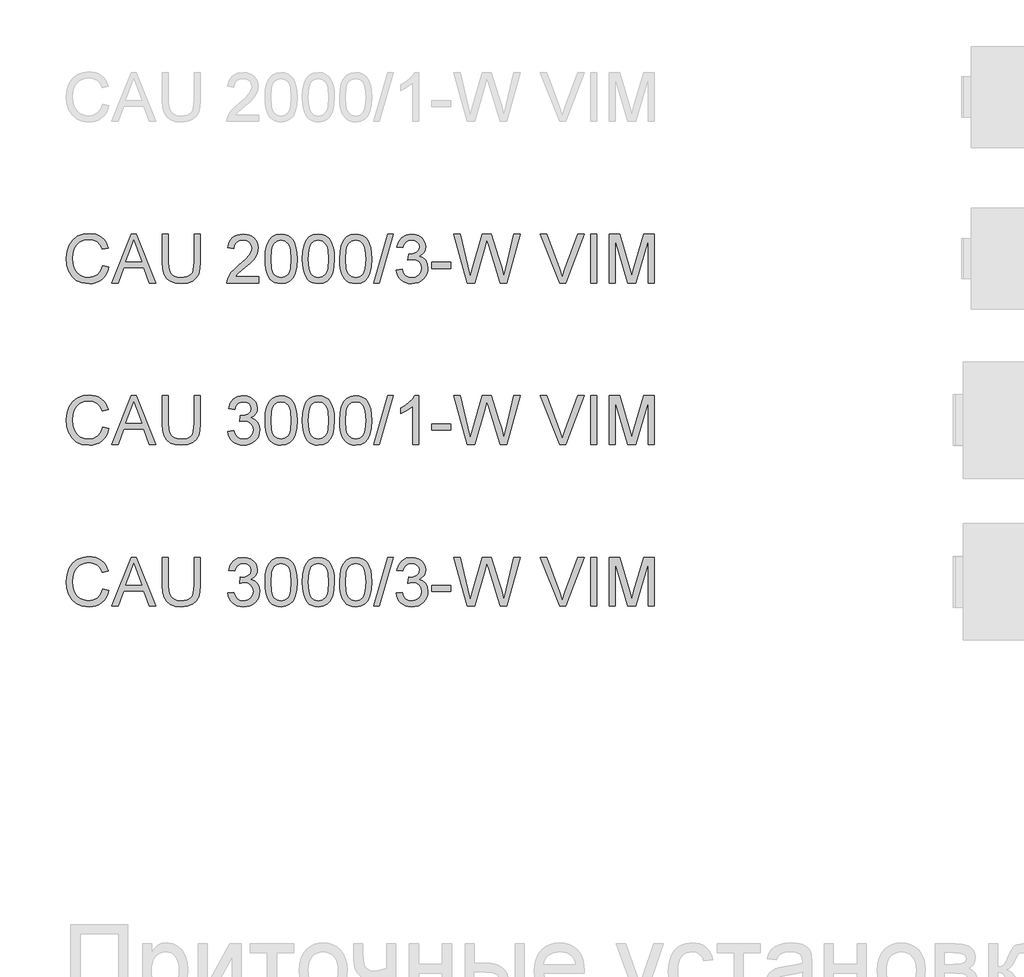
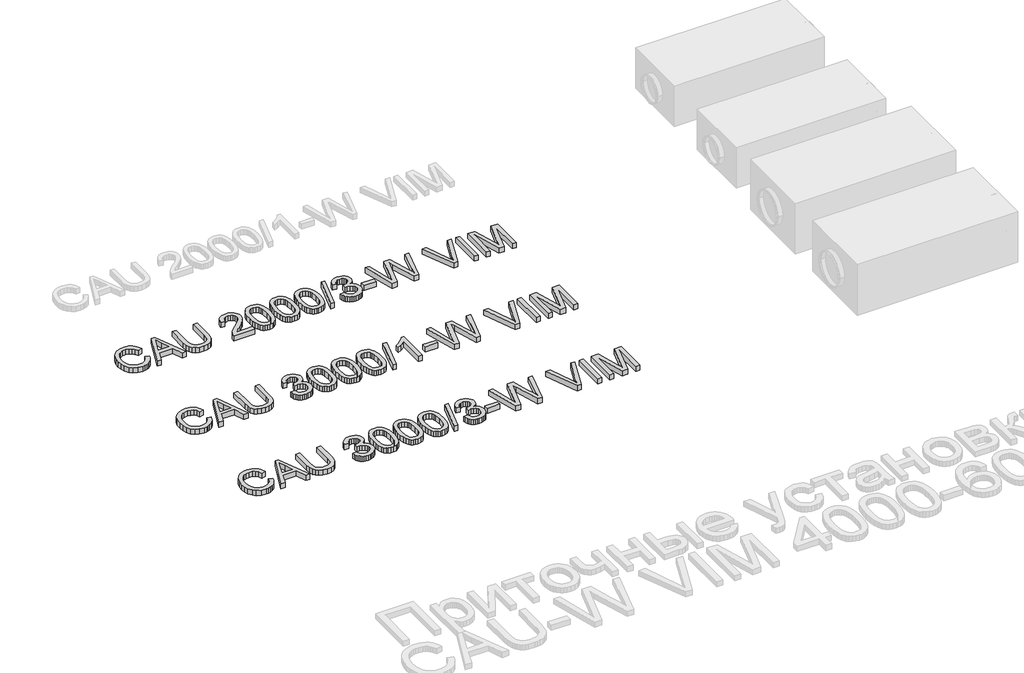
# One storey, part 72 of 74: 3 proxies.
"""IFC4 building model written with IfcOpenShell, lengths in millimetres."""

from ifc_helpers import new_model, si_unit, origin, origin_with_axes, place, context, project, spatial, polyline, outline, extrude, element, save

model = new_model("IFC4")

# Units and contexts
model_context = context("Model", 3, world=origin())
ifc_project = project(units=[si_unit("LENGTHUNIT", "METRE", prefix="MILLI")], contexts=[model_context])

# Site, building, storey
site = spatial("IfcSite", under=ifc_project)
building = spatial("IfcBuilding", under=site)
storey = spatial("IfcBuildingStorey", under=building, Elevation=0.0)

# Proxies
placement = place(None, origin())
element("IfcBuildingElementProxy", 1, Name="Generic Models", at=placement, inside=storey, context=model_context, shape_type="SweptSolid", body=[
    extrude(outline(polyline([(56009.3406669, -4799.1632103), (56047.0117832, -4808.875295), (56039.5575743, -4832.3024803), (56029.6293589, -4852.7728141), (56017.2271372, -4870.2862963), (56002.350909, -4884.842927), (55985.3363667, -4896.2863563), (55966.5192027, -4904.4602344), (55945.8994168, -4909.3645613), (55923.4770092, -4910.9993369), (55879.7818252, -4906.051324), (55845.0813561, -4891.2072855), (55818.4834878, -4866.9822562), (55799.0961067, -4833.8912707), (55787.2595035, -4794.9877497), (55783.3139691, -4753.3251137), (55787.7745383, -4709.3816094), (55801.1562458, -4671.4345816), (55822.760116, -4640.6888439), (55851.887173, -4618.3492097), (55886.4312923, -4604.7467729), (55924.2863496, -4600.2126274), (55965.5903006, -4606.0803452), (55983.5590368, -4613.4149925), (55999.7389468, -4623.6834986), (56013.8633162, -4636.6145508), (56025.6654304, -4651.9368359), (56042.3028937, -4689.755105), (56004.6317774, -4698.7314257), (55991.5719665, -4671.2598377), (55973.7296898, -4652.4150825), (55950.8842179, -4641.5165784), (55922.8148216, -4637.8837437), (55890.4596002, -4641.9120515), (55863.880126, -4653.996975), (55843.7109956, -4672.8693214), (55830.5868054, -4697.2598977), (55823.3855154, -4724.8326532), (55820.9850854, -4753.2515373), (55823.8269738, -4788.0531741), (55832.352639, -4818.1459213), (55846.8839778, -4842.3801477), (55867.742887, -4859.6062222), (55892.7496656, -4869.897721), (55919.7246129, -4873.3282206), (55951.1693264, -4868.6561192), (55977.3717215, -4854.6398152), (55997.1545758, -4831.4264613), (56009.3406669, -4799.1632103)])), origin_with_axes(), (0.0, 0.0, 1.0), 50.0),
    extrude(outline(polyline([(56063.7136258, -4906.2904473), (56184.0110382, -4604.9215169), (56216.0903482, -4604.9215169), (56336.3877606, -4906.2904473), (56296.5829287, -4906.2904473), (56262.0755976, -4812.1126566), (56137.9522124, -4812.1126566), (56103.5184577, -4906.2904473), (56063.7136258, -4906.2904473)]), holes=[polyline([(56151.7845754, -4774.4415403), (56248.316811, -4774.4415403), (56221.1671197, -4700.3501064), (56200.0506932, -4642.5926332), (56181.2887114, -4693.8753833), (56151.7845754, -4774.4415403)])]), origin_with_axes(), (0.0, 0.0, 1.0), 50.0),
    extrude(outline(polyline([(56574.4074115, -4604.9215169), (56612.0785278, -4604.9215169), (56612.0785278, -4778.7825478), (56609.5217479, -4819.4978876), (56601.8514083, -4850.8506307), (56587.5224046, -4875.0388719), (56564.9896324, -4894.2607061), (56534.1979094, -4906.8146792), (56495.0920533, -4910.9993369), (56456.8415229, -4907.3573051), (56426.261332, -4896.4312099), (56403.3422837, -4878.5981302), (56388.0751809, -4854.235145), (56379.4943334, -4821.5580268), (56376.6340509, -4778.7825478), (56376.6340509, -4604.9215169), (56414.3051672, -4604.9215169), (56414.3051672, -4777.4581726), (56416.1629713, -4811.3125132), (56421.7363835, -4834.8845521), (56431.8347443, -4851.2093156), (56447.267394, -4863.3218303), (56467.3905391, -4870.826623), (56491.5603862, -4873.3282206), (56529.875296, -4868.3802077), (56544.2180953, -4862.1951917), (56555.3511241, -4853.5361692), (56563.6882499, -4841.3592752), (56569.6433397, -4824.6206444), (56574.4074115, -4777.4581726), (56574.4074115, -4604.9215169)])), origin_with_axes(), (0.0, 0.0, 1.0), 50.0),
    extrude(outline(polyline([(56974.6630222, -4868.619331), (56974.6630222, -4906.2904473), (56776.8896616, -4906.2904473), (56780.9363636, -4880.3179785), (56790.225384, -4860.0200894), (56803.8186237, -4840.3292056), (56823.4819163, -4819.7186168), (56850.9810955, -4796.6616128), (56891.6320559, -4760.553995), (56916.0226322, -4733.9009444), (56928.2179203, -4712.2694831), (56932.2830164, -4691.226633), (56928.4478466, -4672.3634837), (56916.9423372, -4656.6825136), (56899.2564103, -4646.1151033), (56876.8799879, -4642.5926332), (56853.3815255, -4646.0323299), (56835.1253815, -4656.3514198), (56823.3439606, -4672.7405627), (56819.2696675, -4694.3904181), (56781.5985512, -4689.6815286), (56790.7312217, -4653.242817), (56799.2775803, -4638.7068796), (56810.4772878, -4626.6265546), (56824.0728268, -4617.1306006), (56839.8066799, -4610.3477763), (56877.6893283, -4604.9215169), (56897.8791521, -4606.4298331), (56915.8478883, -4610.9547816), (56931.5955369, -4618.4963625), (56945.122098, -4629.0545758), (56955.9861132, -4641.8476722), (56963.746124, -4656.0939024), (56968.4021305, -4671.7932666), (56969.9541327, -4688.9457646), (56968.2802696, -4706.9627853), (56963.2586804, -4724.6671063), (56954.3467391, -4742.67493), (56941.0018197, -4761.6024586), (56919.7290433, -4784.1996102), (56887.033531, -4813.2163026), (56843.697032, -4849.4526791), (56826.7008838, -4868.619331), (56974.6630222, -4868.619331)])), origin_with_axes(), (0.0, 0.0, 1.0), 50.0),
    extrude(outline(polyline([(57012.3341385, -4758.0340033), (57015.1024506, -4709.7954767), (57023.4073866, -4671.324217), (57037.1661732, -4642.0316132), (57056.296037, -4621.3290539), (57080.9349336, -4609.0234011), (57111.2208189, -4604.9215169), (57134.4341727, -4607.3495381), (57155.2195055, -4614.6336016), (57172.6019297, -4626.4885989), (57185.6065583, -4642.6294214), (57195.4290075, -4662.9181134), (57203.264894, -4687.2167192), (57208.3968479, -4718.0728216), (57210.1074992, -4758.0340033), (57207.3667783, -4805.9966184), (57199.1446157, -4844.3759076), (57185.4686025, -4873.6961026), (57166.3663299, -4894.4814353), (57141.672251, -4906.8698615), (57111.2208189, -4910.9993369), (57090.4722743, -4909.2059122), (57072.0781746, -4903.825638), (57056.0385196, -4894.8585143), (57042.3533094, -4882.3045413), (57029.2199221, -4859.6108207), (57019.8389312, -4831.3344908), (57014.2103367, -4797.4755517), (57012.3341385, -4758.0340033)]), holes=[polyline([(57050.0052549, -4757.9604269), (57054.4198388, -4817.2170193), (57059.9380687, -4837.4850179), (57067.6635906, -4851.5128183), (57087.3820656, -4867.87437), (57111.2208189, -4873.3282206), (57135.0595721, -4867.8559759), (57154.7780471, -4851.4392419), (57162.503569, -4837.3884489), (57168.0217989, -4817.1250488), (57172.4363828, -4757.9604269), (57168.1689517, -4700.0374067), (57162.8346628, -4679.8360867), (57155.3666583, -4665.4748933), (57135.6849715, -4648.3131982), (57110.7793605, -4642.5926332), (57087.1981246, -4647.6326165), (57068.2522018, -4662.7525665), (57060.2691625, -4678.3875513), (57054.5669916, -4699.4671897), (57050.0052549, -4757.9604269)])]), origin_with_axes(), (0.0, 0.0, 1.0), 50.0),
    extrude(outline(polyline([(57243.0697259, -4758.0340033), (57245.8380379, -4709.7954767), (57254.142974, -4671.324217), (57267.9017606, -4642.0316132), (57287.0316243, -4621.3290539), (57311.670521, -4609.0234011), (57341.9564062, -4604.9215169), (57365.1697601, -4607.3495381), (57385.9550928, -4614.6336016), (57403.3375171, -4626.4885989), (57416.3421456, -4642.6294214), (57426.1645949, -4662.9181134), (57434.0004814, -4687.2167192), (57439.1324353, -4718.0728216), (57440.8430865, -4758.0340033), (57438.1023657, -4805.9966184), (57429.8802031, -4844.3759076), (57416.2041899, -4873.6961026), (57397.1019173, -4894.4814353), (57372.4078384, -4906.8698615), (57341.9564062, -4910.9993369), (57321.2078617, -4909.2059122), (57302.8137619, -4903.825638), (57286.7741069, -4894.8585143), (57273.0888967, -4882.3045413), (57259.9555095, -4859.6108207), (57250.5745186, -4831.3344908), (57244.9459241, -4797.4755517), (57243.0697259, -4758.0340033)]), holes=[polyline([(57280.7408422, -4757.9604269), (57285.1554262, -4817.2170193), (57290.6736561, -4837.4850179), (57298.399178, -4851.5128183), (57318.1176529, -4867.87437), (57341.9564062, -4873.3282206), (57365.7951595, -4867.8559759), (57385.5136345, -4851.4392419), (57393.2391564, -4837.3884489), (57398.7573863, -4817.1250488), (57403.1719702, -4757.9604269), (57398.9045391, -4700.0374067), (57393.5702501, -4679.8360867), (57386.1022456, -4665.4748933), (57366.4205589, -4648.3131982), (57341.5149478, -4642.5926332), (57317.9337119, -4647.6326165), (57298.9877892, -4662.7525665), (57291.0047499, -4678.3875513), (57285.302579, -4699.4671897), (57280.7408422, -4757.9604269)])]), origin_with_axes(), (0.0, 0.0, 1.0), 50.0),
    extrude(outline(polyline([(57473.8053133, -4758.0340033), (57476.5736253, -4709.7954767), (57484.8785614, -4671.324217), (57498.637348, -4642.0316132), (57517.7672117, -4621.3290539), (57542.4061083, -4609.0234011), (57572.6919936, -4604.9215169), (57595.9053475, -4607.3495381), (57616.6906802, -4614.6336016), (57634.0731045, -4626.4885989), (57647.077733, -4642.6294214), (57656.9001823, -4662.9181134), (57664.7360688, -4687.2167192), (57669.8680226, -4718.0728216), (57671.5786739, -4758.0340033), (57668.837953, -4805.9966184), (57660.6157904, -4844.3759076), (57646.9397773, -4873.6961026), (57627.8375047, -4894.4814353), (57603.1434258, -4906.8698615), (57572.6919936, -4910.9993369), (57551.9434491, -4909.2059122), (57533.5493493, -4903.825638), (57517.5096943, -4894.8585143), (57503.8244841, -4882.3045413), (57490.6910969, -4859.6108207), (57481.310106, -4831.3344908), (57475.6815115, -4797.4755517), (57473.8053133, -4758.0340033)]), holes=[polyline([(57511.4764296, -4757.9604269), (57515.8910135, -4817.2170193), (57521.4092435, -4837.4850179), (57529.1347654, -4851.5128183), (57548.8532403, -4867.87437), (57572.6919936, -4873.3282206), (57596.5307469, -4867.8559759), (57616.2492218, -4851.4392419), (57623.9747437, -4837.3884489), (57629.4929737, -4817.1250488), (57633.9075576, -4757.9604269), (57629.6401265, -4700.0374067), (57624.3058375, -4679.8360867), (57616.837833, -4665.4748933), (57597.1561463, -4648.3131982), (57572.2505352, -4642.5926332), (57548.6692993, -4647.6326165), (57529.7233766, -4662.7525665), (57521.7403373, -4678.3875513), (57516.0381663, -4699.4671897), (57511.4764296, -4757.9604269)])]), origin_with_axes(), (0.0, 0.0, 1.0), 50.0),
    extrude(outline(polyline([(57685.7053425, -4906.2904473), (57770.4653542, -4604.9215169), (57804.4576506, -4604.9215169), (57719.6976389, -4906.2904473), (57685.7053425, -4906.2904473)])), origin_with_axes(), (0.0, 0.0, 1.0), 50.0),
    extrude(outline(polyline([(57822.2631391, -4826.2393252), (57859.9342554, -4821.5304357), (57868.3679502, -4845.203642), (57880.7195882, -4861.1881147), (57897.5961747, -4870.2931941), (57919.6047151, -4873.3282206), (57945.4300311, -4869.1527599), (57965.3692353, -4856.626378), (57978.1163464, -4837.9379726), (57982.3653834, -4815.2764417), (57978.1531346, -4793.7645421), (57965.516388, -4776.3177384), (57946.3865243, -4764.7570467), (57922.6949238, -4760.9034828), (57896.2809966, -4765.0237612), (57900.4748513, -4727.3526449), (57906.508116, -4727.7941033), (57929.0776764, -4725.0901706), (57949.2560039, -4716.9783726), (57963.4930371, -4703.2563742), (57968.2387148, -4683.7218403), (57964.7990182, -4667.452259), (57954.4799282, -4654.2544924), (57938.7345788, -4645.508098), (57919.0161039, -4642.5926332), (57899.2608407, -4645.5356892), (57883.1108211, -4654.364857), (57871.3202032, -4669.0801369), (57864.643145, -4689.6815286), (57826.9720287, -4684.972639), (57838.0636708, -4651.1458896), (57857.8005399, -4625.8907906), (57884.8030783, -4610.1638353), (57917.6917287, -4604.9215169), (57941.3741321, -4607.5058879), (57963.1251551, -4615.259001), (57981.4640725, -4627.4910773), (57994.9101595, -4643.5123382), (58003.1599132, -4661.9708173), (58005.9098311, -4681.5145483), (58003.297869, -4699.724707), (57995.4619825, -4716.2426086), (57982.5125362, -4730.3140949), (57964.5598949, -4741.1850079), (57988.1411308, -4750.7131516), (58005.6155255, -4766.9367476), (58016.4312562, -4788.9728791), (58020.0364997, -4815.9386293), (58018.233878, -4835.050099), (58012.8260126, -4852.6532524), (58003.8129037, -4868.7480897), (57991.1945513, -4883.3346108), (57975.8216824, -4895.4379285), (57958.5450242, -4904.0831554), (57939.3645767, -4909.2702915), (57918.2803399, -4910.9993369), (57899.2240525, -4909.5232104), (57881.8600223, -4905.0948309), (57866.1882494, -4897.7141983), (57852.2087335, -4887.3813128), (57840.4870935, -4874.7031795), (57831.5889477, -4860.2868038), (57825.5142963, -4844.1321857), (57822.2631391, -4826.2393252)])), origin_with_axes(), (0.0, 0.0, 1.0), 50.0),
    extrude(outline(polyline([(58043.5809474, -4816.8215461), (58043.5809474, -4779.1504298), (58161.3031859, -4779.1504298), (58161.3031859, -4816.8215461), (58043.5809474, -4816.8215461)])), origin_with_axes(), (0.0, 0.0, 1.0), 50.0),
    extrude(outline(polyline([(58262.3235818, -4906.2904473), (58180.138744, -4604.9215169), (58218.9870827, -4604.9215169), (58266.6645893, -4802.9891831), (58281.3798691, -4864.1311707), (58297.1252185, -4810.0525174), (58356.8692545, -4604.9215169), (58412.8608942, -4604.9215169), (58456.2709696, -4753.6194193), (58474.8674045, -4808.8017186), (58488.5710088, -4864.1311707), (58502.8448302, -4804.7550167), (58550.9637952, -4604.9215169), (58589.8121339, -4604.9215169), (58507.5537197, -4906.2904473), (58467.3074295, -4906.2904473), (58395.0554056, -4673.7890264), (58384.975439, -4641.3418344), (58373.6446735, -4680.4109023), (58307.7937964, -4906.2904473), (58262.3235818, -4906.2904473)])), origin_with_axes(), (0.0, 0.0, 1.0), 50.0),
    extrude(outline(polyline([(58834.2329315, -4906.2904473), (58714.303401, -4604.9215169), (58754.6232677, -4604.9215169), (58834.8951191, -4822.0454704), (58851.1555032, -4870.9737758), (58867.1951582, -4822.0454704), (58947.6877388, -4604.9215169), (58988.0076054, -4604.9215169), (58873.1548465, -4906.2904473), (58834.2329315, -4906.2904473)])), origin_with_axes(), (0.0, 0.0, 1.0), 50.0),
    extrude(outline(polyline([(59027.7388609, -4906.2904473), (59027.7388609, -4604.9215169), (59065.4099772, -4604.9215169), (59065.4099772, -4906.2904473), (59027.7388609, -4906.2904473)])), origin_with_axes(), (0.0, 0.0, 1.0), 50.0),
    extrude(outline(polyline([(59140.7522098, -4906.2904473), (59140.7522098, -4604.9215169), (59205.5730174, -4604.9215169), (59267.2300398, -4817.3365809), (59279.6644512, -4861.7031495), (59293.1289322, -4813.657761), (59353.755885, -4604.9215169), (59418.5766926, -4604.9215169), (59418.5766926, -4906.2904473), (59380.9055763, -4906.2904473), (59380.9055763, -4642.5926332), (59305.1954617, -4906.2904473), (59254.1334408, -4906.2904473), (59178.4233261, -4642.5926332), (59178.4233261, -4906.2904473), (59140.7522098, -4906.2904473)])), origin_with_axes(), (0.0, 0.0, 1.0), 50.0),
])
element("IfcBuildingElementProxy", 2, Name="Generic Models", at=placement, inside=storey, context=model_context, shape_type="SweptSolid", body=[
    extrude(outline(polyline([(56009.3406669, -5799.1632103), (56047.0117832, -5808.875295), (56039.5575743, -5832.3024803), (56029.6293589, -5852.7728141), (56017.2271372, -5870.2862963), (56002.350909, -5884.842927), (55985.3363667, -5896.2863563), (55966.5192027, -5904.4602344), (55945.8994168, -5909.3645613), (55923.4770092, -5910.9993369), (55879.7818252, -5906.051324), (55845.0813561, -5891.2072855), (55818.4834878, -5866.9822562), (55799.0961067, -5833.8912707), (55787.2595035, -5794.9877497), (55783.3139691, -5753.3251137), (55787.7745383, -5709.3816094), (55801.1562458, -5671.4345816), (55822.760116, -5640.6888439), (55851.887173, -5618.3492097), (55886.4312923, -5604.7467729), (55924.2863496, -5600.2126274), (55965.5903006, -5606.0803452), (55983.5590368, -5613.4149925), (55999.7389468, -5623.6834986), (56013.8633162, -5636.6145508), (56025.6654304, -5651.9368359), (56042.3028937, -5689.755105), (56004.6317774, -5698.7314257), (55991.5719665, -5671.2598377), (55973.7296898, -5652.4150825), (55950.8842179, -5641.5165784), (55922.8148216, -5637.8837437), (55890.4596002, -5641.9120515), (55863.880126, -5653.996975), (55843.7109956, -5672.8693214), (55830.5868054, -5697.2598977), (55823.3855154, -5724.8326532), (55820.9850854, -5753.2515373), (55823.8269738, -5788.0531741), (55832.352639, -5818.1459213), (55846.8839778, -5842.3801477), (55867.742887, -5859.6062222), (55892.7496656, -5869.897721), (55919.7246129, -5873.3282206), (55951.1693264, -5868.6561192), (55977.3717215, -5854.6398152), (55997.1545758, -5831.4264613), (56009.3406669, -5799.1632103)])), origin_with_axes(), (0.0, 0.0, 1.0), 50.0),
    extrude(outline(polyline([(56063.7136258, -5906.2904473), (56184.0110382, -5604.9215169), (56216.0903482, -5604.9215169), (56336.3877606, -5906.2904473), (56296.5829287, -5906.2904473), (56262.0755976, -5812.1126566), (56137.9522124, -5812.1126566), (56103.5184577, -5906.2904473), (56063.7136258, -5906.2904473)]), holes=[polyline([(56151.7845754, -5774.4415403), (56248.316811, -5774.4415403), (56221.1671197, -5700.3501064), (56200.0506932, -5642.5926332), (56181.2887114, -5693.8753833), (56151.7845754, -5774.4415403)])]), origin_with_axes(), (0.0, 0.0, 1.0), 50.0),
    extrude(outline(polyline([(56574.4074115, -5604.9215169), (56612.0785278, -5604.9215169), (56612.0785278, -5778.7825478), (56609.5217479, -5819.4978876), (56601.8514083, -5850.8506307), (56587.5224046, -5875.0388719), (56564.9896324, -5894.2607061), (56534.1979094, -5906.8146792), (56495.0920533, -5910.9993369), (56456.8415229, -5907.3573051), (56426.261332, -5896.4312099), (56403.3422837, -5878.5981302), (56388.0751809, -5854.235145), (56379.4943334, -5821.5580268), (56376.6340509, -5778.7825478), (56376.6340509, -5604.9215169), (56414.3051672, -5604.9215169), (56414.3051672, -5777.4581726), (56416.1629713, -5811.3125132), (56421.7363835, -5834.8845521), (56431.8347443, -5851.2093156), (56447.267394, -5863.3218303), (56467.3905391, -5870.826623), (56491.5603862, -5873.3282206), (56529.875296, -5868.3802077), (56544.2180953, -5862.1951917), (56555.3511241, -5853.5361692), (56563.6882499, -5841.3592752), (56569.6433397, -5824.6206444), (56574.4074115, -5777.4581726), (56574.4074115, -5604.9215169)])), origin_with_axes(), (0.0, 0.0, 1.0), 50.0),
    extrude(outline(polyline([(56781.5985512, -5826.2393252), (56819.2696675, -5821.5304357), (56827.7033622, -5845.203642), (56840.0550002, -5861.1881147), (56856.9315867, -5870.2931941), (56878.9401271, -5873.3282206), (56904.7654432, -5869.1527599), (56924.7046473, -5856.626378), (56937.4517584, -5837.9379726), (56941.7007955, -5815.2764417), (56937.4885466, -5793.7645421), (56924.8518001, -5776.3177384), (56905.7219363, -5764.7570467), (56882.0303359, -5760.9034828), (56855.6164086, -5765.0237612), (56859.8102633, -5727.3526449), (56865.8435281, -5727.7941033), (56888.4130885, -5725.0901706), (56908.5914159, -5716.9783726), (56922.8284491, -5703.2563742), (56927.5741269, -5683.7218403), (56924.1344302, -5667.452259), (56913.8153402, -5654.2544924), (56898.0699908, -5645.508098), (56878.3515159, -5642.5926332), (56858.5962528, -5645.5356892), (56842.4462332, -5654.364857), (56830.6556152, -5669.0801369), (56823.978557, -5689.6815286), (56786.3074407, -5684.972639), (56797.3990829, -5651.1458896), (56817.1359519, -5625.8907906), (56844.1384904, -5610.1638353), (56877.0271407, -5604.9215169), (56900.7095442, -5607.5058879), (56922.4605671, -5615.259001), (56940.7994846, -5627.4910773), (56954.2455715, -5643.5123382), (56962.4953253, -5661.9708173), (56965.2452432, -5681.5145483), (56962.633281, -5699.724707), (56954.7973945, -5716.2426086), (56941.8479483, -5730.3140949), (56923.8953069, -5741.1850079), (56947.4765428, -5750.7131516), (56964.9509376, -5766.9367476), (56975.7666682, -5788.9728791), (56979.3719118, -5815.9386293), (56977.56929, -5835.050099), (56972.1614247, -5852.6532524), (56963.1483158, -5868.7480897), (56950.5299634, -5883.3346108), (56935.1570945, -5895.4379285), (56917.8804363, -5904.0831554), (56898.6999888, -5909.2702915), (56877.6157519, -5910.9993369), (56858.5594646, -5909.5232104), (56841.1954344, -5905.0948309), (56825.5236614, -5897.7141983), (56811.5441456, -5887.3813128), (56799.8225055, -5874.7031795), (56790.9243597, -5860.2868038), (56784.8497083, -5844.1321857), (56781.5985512, -5826.2393252)])), origin_with_axes(), (0.0, 0.0, 1.0), 50.0),
    extrude(outline(polyline([(57012.3341385, -5758.0340033), (57015.1024506, -5709.7954767), (57023.4073866, -5671.324217), (57037.1661732, -5642.0316132), (57056.296037, -5621.3290539), (57080.9349336, -5609.0234011), (57111.2208189, -5604.9215169), (57134.4341727, -5607.3495381), (57155.2195055, -5614.6336016), (57172.6019297, -5626.4885989), (57185.6065583, -5642.6294214), (57195.4290075, -5662.9181134), (57203.264894, -5687.2167192), (57208.3968479, -5718.0728216), (57210.1074992, -5758.0340033), (57207.3667783, -5805.9966184), (57199.1446157, -5844.3759076), (57185.4686025, -5873.6961026), (57166.3663299, -5894.4814353), (57141.672251, -5906.8698615), (57111.2208189, -5910.9993369), (57090.4722743, -5909.2059122), (57072.0781746, -5903.825638), (57056.0385196, -5894.8585143), (57042.3533094, -5882.3045413), (57029.2199221, -5859.6108207), (57019.8389312, -5831.3344908), (57014.2103367, -5797.4755517), (57012.3341385, -5758.0340033)]), holes=[polyline([(57050.0052549, -5757.9604269), (57054.4198388, -5817.2170193), (57059.9380687, -5837.4850179), (57067.6635906, -5851.5128183), (57087.3820656, -5867.87437), (57111.2208189, -5873.3282206), (57135.0595721, -5867.8559759), (57154.7780471, -5851.4392419), (57162.503569, -5837.3884489), (57168.0217989, -5817.1250488), (57172.4363828, -5757.9604269), (57168.1689517, -5700.0374067), (57162.8346628, -5679.8360867), (57155.3666583, -5665.4748933), (57135.6849715, -5648.3131982), (57110.7793605, -5642.5926332), (57087.1981246, -5647.6326165), (57068.2522018, -5662.7525665), (57060.2691625, -5678.3875513), (57054.5669916, -5699.4671897), (57050.0052549, -5757.9604269)])]), origin_with_axes(), (0.0, 0.0, 1.0), 50.0),
    extrude(outline(polyline([(57243.0697259, -5758.0340033), (57245.8380379, -5709.7954767), (57254.142974, -5671.324217), (57267.9017606, -5642.0316132), (57287.0316243, -5621.3290539), (57311.670521, -5609.0234011), (57341.9564062, -5604.9215169), (57365.1697601, -5607.3495381), (57385.9550928, -5614.6336016), (57403.3375171, -5626.4885989), (57416.3421456, -5642.6294214), (57426.1645949, -5662.9181134), (57434.0004814, -5687.2167192), (57439.1324353, -5718.0728216), (57440.8430865, -5758.0340033), (57438.1023657, -5805.9966184), (57429.8802031, -5844.3759076), (57416.2041899, -5873.6961026), (57397.1019173, -5894.4814353), (57372.4078384, -5906.8698615), (57341.9564062, -5910.9993369), (57321.2078617, -5909.2059122), (57302.8137619, -5903.825638), (57286.7741069, -5894.8585143), (57273.0888967, -5882.3045413), (57259.9555095, -5859.6108207), (57250.5745186, -5831.3344908), (57244.9459241, -5797.4755517), (57243.0697259, -5758.0340033)]), holes=[polyline([(57280.7408422, -5757.9604269), (57285.1554262, -5817.2170193), (57290.6736561, -5837.4850179), (57298.399178, -5851.5128183), (57318.1176529, -5867.87437), (57341.9564062, -5873.3282206), (57365.7951595, -5867.8559759), (57385.5136345, -5851.4392419), (57393.2391564, -5837.3884489), (57398.7573863, -5817.1250488), (57403.1719702, -5757.9604269), (57398.9045391, -5700.0374067), (57393.5702501, -5679.8360867), (57386.1022456, -5665.4748933), (57366.4205589, -5648.3131982), (57341.5149478, -5642.5926332), (57317.9337119, -5647.6326165), (57298.9877892, -5662.7525665), (57291.0047499, -5678.3875513), (57285.302579, -5699.4671897), (57280.7408422, -5757.9604269)])]), origin_with_axes(), (0.0, 0.0, 1.0), 50.0),
    extrude(outline(polyline([(57473.8053133, -5758.0340033), (57476.5736253, -5709.7954767), (57484.8785614, -5671.324217), (57498.637348, -5642.0316132), (57517.7672117, -5621.3290539), (57542.4061083, -5609.0234011), (57572.6919936, -5604.9215169), (57595.9053475, -5607.3495381), (57616.6906802, -5614.6336016), (57634.0731045, -5626.4885989), (57647.077733, -5642.6294214), (57656.9001823, -5662.9181134), (57664.7360688, -5687.2167192), (57669.8680226, -5718.0728216), (57671.5786739, -5758.0340033), (57668.837953, -5805.9966184), (57660.6157904, -5844.3759076), (57646.9397773, -5873.6961026), (57627.8375047, -5894.4814353), (57603.1434258, -5906.8698615), (57572.6919936, -5910.9993369), (57551.9434491, -5909.2059122), (57533.5493493, -5903.825638), (57517.5096943, -5894.8585143), (57503.8244841, -5882.3045413), (57490.6910969, -5859.6108207), (57481.310106, -5831.3344908), (57475.6815115, -5797.4755517), (57473.8053133, -5758.0340033)]), holes=[polyline([(57511.4764296, -5757.9604269), (57515.8910135, -5817.2170193), (57521.4092435, -5837.4850179), (57529.1347654, -5851.5128183), (57548.8532403, -5867.87437), (57572.6919936, -5873.3282206), (57596.5307469, -5867.8559759), (57616.2492218, -5851.4392419), (57623.9747437, -5837.3884489), (57629.4929737, -5817.1250488), (57633.9075576, -5757.9604269), (57629.6401265, -5700.0374067), (57624.3058375, -5679.8360867), (57616.837833, -5665.4748933), (57597.1561463, -5648.3131982), (57572.2505352, -5642.5926332), (57548.6692993, -5647.6326165), (57529.7233766, -5662.7525665), (57521.7403373, -5678.3875513), (57516.0381663, -5699.4671897), (57511.4764296, -5757.9604269)])]), origin_with_axes(), (0.0, 0.0, 1.0), 50.0),
    extrude(outline(polyline([(57685.7053425, -5906.2904473), (57770.4653542, -5604.9215169), (57804.4576506, -5604.9215169), (57719.6976389, -5906.2904473), (57685.7053425, -5906.2904473)])), origin_with_axes(), (0.0, 0.0, 1.0), 50.0),
    extrude(outline(polyline([(57963.5298253, -5906.2904473), (57925.858709, -5906.2904473), (57925.858709, -5671.4345816), (57890.1741554, -5696.8552275), (57850.5164764, -5715.8747266), (57850.5164764, -5680.2637495), (57880.1033858, -5664.1689122), (57905.7355638, -5645.0206544), (57925.9414824, -5624.6583859), (57939.2496136, -5604.9215169), (57963.5298253, -5604.9215169), (57963.5298253, -5906.2904473)])), origin_with_axes(), (0.0, 0.0, 1.0), 50.0),
    extrude(outline(polyline([(58043.5809474, -5816.8215461), (58043.5809474, -5779.1504298), (58161.3031859, -5779.1504298), (58161.3031859, -5816.8215461), (58043.5809474, -5816.8215461)])), origin_with_axes(), (0.0, 0.0, 1.0), 50.0),
    extrude(outline(polyline([(58262.3235818, -5906.2904473), (58180.138744, -5604.9215169), (58218.9870827, -5604.9215169), (58266.6645893, -5802.9891831), (58281.3798691, -5864.1311707), (58297.1252185, -5810.0525174), (58356.8692545, -5604.9215169), (58412.8608942, -5604.9215169), (58456.2709696, -5753.6194193), (58474.8674045, -5808.8017186), (58488.5710088, -5864.1311707), (58502.8448302, -5804.7550167), (58550.9637952, -5604.9215169), (58589.8121339, -5604.9215169), (58507.5537197, -5906.2904473), (58467.3074295, -5906.2904473), (58395.0554056, -5673.7890264), (58384.975439, -5641.3418344), (58373.6446735, -5680.4109023), (58307.7937964, -5906.2904473), (58262.3235818, -5906.2904473)])), origin_with_axes(), (0.0, 0.0, 1.0), 50.0),
    extrude(outline(polyline([(58834.2329315, -5906.2904473), (58714.303401, -5604.9215169), (58754.6232677, -5604.9215169), (58834.8951191, -5822.0454704), (58851.1555032, -5870.9737758), (58867.1951582, -5822.0454704), (58947.6877388, -5604.9215169), (58988.0076054, -5604.9215169), (58873.1548465, -5906.2904473), (58834.2329315, -5906.2904473)])), origin_with_axes(), (0.0, 0.0, 1.0), 50.0),
    extrude(outline(polyline([(59027.7388609, -5906.2904473), (59027.7388609, -5604.9215169), (59065.4099772, -5604.9215169), (59065.4099772, -5906.2904473), (59027.7388609, -5906.2904473)])), origin_with_axes(), (0.0, 0.0, 1.0), 50.0),
    extrude(outline(polyline([(59140.7522098, -5906.2904473), (59140.7522098, -5604.9215169), (59205.5730174, -5604.9215169), (59267.2300398, -5817.3365809), (59279.6644512, -5861.7031495), (59293.1289322, -5813.657761), (59353.755885, -5604.9215169), (59418.5766926, -5604.9215169), (59418.5766926, -5906.2904473), (59380.9055763, -5906.2904473), (59380.9055763, -5642.5926332), (59305.1954617, -5906.2904473), (59254.1334408, -5906.2904473), (59178.4233261, -5642.5926332), (59178.4233261, -5906.2904473), (59140.7522098, -5906.2904473)])), origin_with_axes(), (0.0, 0.0, 1.0), 50.0),
])
element("IfcBuildingElementProxy", 3, Name="Generic Models", at=placement, inside=storey, context=model_context, shape_type="SweptSolid", body=[
    extrude(outline(polyline([(56009.3406669, -6799.1632103), (56047.0117832, -6808.875295), (56039.5575743, -6832.3024803), (56029.6293589, -6852.7728141), (56017.2271372, -6870.2862963), (56002.350909, -6884.842927), (55985.3363667, -6896.2863563), (55966.5192027, -6904.4602344), (55945.8994168, -6909.3645613), (55923.4770092, -6910.9993369), (55879.7818252, -6906.051324), (55845.0813561, -6891.2072855), (55818.4834878, -6866.9822562), (55799.0961067, -6833.8912707), (55787.2595035, -6794.9877497), (55783.3139691, -6753.3251137), (55787.7745383, -6709.3816094), (55801.1562458, -6671.4345816), (55822.760116, -6640.6888439), (55851.887173, -6618.3492097), (55886.4312923, -6604.7467729), (55924.2863496, -6600.2126274), (55965.5903006, -6606.0803452), (55983.5590368, -6613.4149925), (55999.7389468, -6623.6834986), (56013.8633162, -6636.6145508), (56025.6654304, -6651.9368359), (56042.3028937, -6689.755105), (56004.6317774, -6698.7314257), (55991.5719665, -6671.2598377), (55973.7296898, -6652.4150825), (55950.8842179, -6641.5165784), (55922.8148216, -6637.8837437), (55890.4596002, -6641.9120515), (55863.880126, -6653.996975), (55843.7109956, -6672.8693214), (55830.5868054, -6697.2598977), (55823.3855154, -6724.8326532), (55820.9850854, -6753.2515373), (55823.8269738, -6788.0531741), (55832.352639, -6818.1459213), (55846.8839778, -6842.3801477), (55867.742887, -6859.6062222), (55892.7496656, -6869.897721), (55919.7246129, -6873.3282206), (55951.1693264, -6868.6561192), (55977.3717215, -6854.6398152), (55997.1545758, -6831.4264613), (56009.3406669, -6799.1632103)])), origin_with_axes(), (0.0, 0.0, 1.0), 50.0),
    extrude(outline(polyline([(56063.7136258, -6906.2904473), (56184.0110382, -6604.9215169), (56216.0903482, -6604.9215169), (56336.3877606, -6906.2904473), (56296.5829287, -6906.2904473), (56262.0755976, -6812.1126566), (56137.9522124, -6812.1126566), (56103.5184577, -6906.2904473), (56063.7136258, -6906.2904473)]), holes=[polyline([(56151.7845754, -6774.4415403), (56248.316811, -6774.4415403), (56221.1671197, -6700.3501064), (56200.0506932, -6642.5926332), (56181.2887114, -6693.8753833), (56151.7845754, -6774.4415403)])]), origin_with_axes(), (0.0, 0.0, 1.0), 50.0),
    extrude(outline(polyline([(56574.4074115, -6604.9215169), (56612.0785278, -6604.9215169), (56612.0785278, -6778.7825478), (56609.5217479, -6819.4978876), (56601.8514083, -6850.8506307), (56587.5224046, -6875.0388719), (56564.9896324, -6894.2607061), (56534.1979094, -6906.8146792), (56495.0920533, -6910.9993369), (56456.8415229, -6907.3573051), (56426.261332, -6896.4312099), (56403.3422837, -6878.5981302), (56388.0751809, -6854.235145), (56379.4943334, -6821.5580268), (56376.6340509, -6778.7825478), (56376.6340509, -6604.9215169), (56414.3051672, -6604.9215169), (56414.3051672, -6777.4581726), (56416.1629713, -6811.3125132), (56421.7363835, -6834.8845521), (56431.8347443, -6851.2093156), (56447.267394, -6863.3218303), (56467.3905391, -6870.826623), (56491.5603862, -6873.3282206), (56529.875296, -6868.3802077), (56544.2180953, -6862.1951917), (56555.3511241, -6853.5361692), (56563.6882499, -6841.3592752), (56569.6433397, -6824.6206444), (56574.4074115, -6777.4581726), (56574.4074115, -6604.9215169)])), origin_with_axes(), (0.0, 0.0, 1.0), 50.0),
    extrude(outline(polyline([(56781.5985512, -6826.2393252), (56819.2696675, -6821.5304357), (56827.7033622, -6845.203642), (56840.0550002, -6861.1881147), (56856.9315867, -6870.2931941), (56878.9401271, -6873.3282206), (56904.7654432, -6869.1527599), (56924.7046473, -6856.626378), (56937.4517584, -6837.9379726), (56941.7007955, -6815.2764417), (56937.4885466, -6793.7645421), (56924.8518001, -6776.3177384), (56905.7219363, -6764.7570467), (56882.0303359, -6760.9034828), (56855.6164086, -6765.0237612), (56859.8102633, -6727.3526449), (56865.8435281, -6727.7941033), (56888.4130885, -6725.0901706), (56908.5914159, -6716.9783726), (56922.8284491, -6703.2563742), (56927.5741269, -6683.7218403), (56924.1344302, -6667.452259), (56913.8153402, -6654.2544924), (56898.0699908, -6645.508098), (56878.3515159, -6642.5926332), (56858.5962528, -6645.5356892), (56842.4462332, -6654.364857), (56830.6556152, -6669.0801369), (56823.978557, -6689.6815286), (56786.3074407, -6684.972639), (56797.3990829, -6651.1458896), (56817.1359519, -6625.8907906), (56844.1384904, -6610.1638353), (56877.0271407, -6604.9215169), (56900.7095442, -6607.5058879), (56922.4605671, -6615.259001), (56940.7994846, -6627.4910773), (56954.2455715, -6643.5123382), (56962.4953253, -6661.9708173), (56965.2452432, -6681.5145483), (56962.633281, -6699.724707), (56954.7973945, -6716.2426086), (56941.8479483, -6730.3140949), (56923.8953069, -6741.1850079), (56947.4765428, -6750.7131516), (56964.9509376, -6766.9367476), (56975.7666682, -6788.9728791), (56979.3719118, -6815.9386293), (56977.56929, -6835.050099), (56972.1614247, -6852.6532524), (56963.1483158, -6868.7480897), (56950.5299634, -6883.3346108), (56935.1570945, -6895.4379285), (56917.8804363, -6904.0831554), (56898.6999888, -6909.2702915), (56877.6157519, -6910.9993369), (56858.5594646, -6909.5232104), (56841.1954344, -6905.0948309), (56825.5236614, -6897.7141983), (56811.5441456, -6887.3813128), (56799.8225055, -6874.7031795), (56790.9243597, -6860.2868038), (56784.8497083, -6844.1321857), (56781.5985512, -6826.2393252)])), origin_with_axes(), (0.0, 0.0, 1.0), 50.0),
    extrude(outline(polyline([(57012.3341385, -6758.0340033), (57015.1024506, -6709.7954767), (57023.4073866, -6671.324217), (57037.1661732, -6642.0316132), (57056.296037, -6621.3290539), (57080.9349336, -6609.0234011), (57111.2208189, -6604.9215169), (57134.4341727, -6607.3495381), (57155.2195055, -6614.6336016), (57172.6019297, -6626.4885989), (57185.6065583, -6642.6294214), (57195.4290075, -6662.9181134), (57203.264894, -6687.2167192), (57208.3968479, -6718.0728216), (57210.1074992, -6758.0340033), (57207.3667783, -6805.9966184), (57199.1446157, -6844.3759076), (57185.4686025, -6873.6961026), (57166.3663299, -6894.4814353), (57141.672251, -6906.8698615), (57111.2208189, -6910.9993369), (57090.4722743, -6909.2059122), (57072.0781746, -6903.825638), (57056.0385196, -6894.8585143), (57042.3533094, -6882.3045413), (57029.2199221, -6859.6108207), (57019.8389312, -6831.3344908), (57014.2103367, -6797.4755517), (57012.3341385, -6758.0340033)]), holes=[polyline([(57050.0052549, -6757.9604269), (57054.4198388, -6817.2170193), (57059.9380687, -6837.4850179), (57067.6635906, -6851.5128183), (57087.3820656, -6867.87437), (57111.2208189, -6873.3282206), (57135.0595721, -6867.8559759), (57154.7780471, -6851.4392419), (57162.503569, -6837.3884489), (57168.0217989, -6817.1250488), (57172.4363828, -6757.9604269), (57168.1689517, -6700.0374067), (57162.8346628, -6679.8360867), (57155.3666583, -6665.4748933), (57135.6849715, -6648.3131982), (57110.7793605, -6642.5926332), (57087.1981246, -6647.6326165), (57068.2522018, -6662.7525665), (57060.2691625, -6678.3875513), (57054.5669916, -6699.4671897), (57050.0052549, -6757.9604269)])]), origin_with_axes(), (0.0, 0.0, 1.0), 50.0),
    extrude(outline(polyline([(57243.0697259, -6758.0340033), (57245.8380379, -6709.7954767), (57254.142974, -6671.324217), (57267.9017606, -6642.0316132), (57287.0316243, -6621.3290539), (57311.670521, -6609.0234011), (57341.9564062, -6604.9215169), (57365.1697601, -6607.3495381), (57385.9550928, -6614.6336016), (57403.3375171, -6626.4885989), (57416.3421456, -6642.6294214), (57426.1645949, -6662.9181134), (57434.0004814, -6687.2167192), (57439.1324353, -6718.0728216), (57440.8430865, -6758.0340033), (57438.1023657, -6805.9966184), (57429.8802031, -6844.3759076), (57416.2041899, -6873.6961026), (57397.1019173, -6894.4814353), (57372.4078384, -6906.8698615), (57341.9564062, -6910.9993369), (57321.2078617, -6909.2059122), (57302.8137619, -6903.825638), (57286.7741069, -6894.8585143), (57273.0888967, -6882.3045413), (57259.9555095, -6859.6108207), (57250.5745186, -6831.3344908), (57244.9459241, -6797.4755517), (57243.0697259, -6758.0340033)]), holes=[polyline([(57280.7408422, -6757.9604269), (57285.1554262, -6817.2170193), (57290.6736561, -6837.4850179), (57298.399178, -6851.5128183), (57318.1176529, -6867.87437), (57341.9564062, -6873.3282206), (57365.7951595, -6867.8559759), (57385.5136345, -6851.4392419), (57393.2391564, -6837.3884489), (57398.7573863, -6817.1250488), (57403.1719702, -6757.9604269), (57398.9045391, -6700.0374067), (57393.5702501, -6679.8360867), (57386.1022456, -6665.4748933), (57366.4205589, -6648.3131982), (57341.5149478, -6642.5926332), (57317.9337119, -6647.6326165), (57298.9877892, -6662.7525665), (57291.0047499, -6678.3875513), (57285.302579, -6699.4671897), (57280.7408422, -6757.9604269)])]), origin_with_axes(), (0.0, 0.0, 1.0), 50.0),
    extrude(outline(polyline([(57473.8053133, -6758.0340033), (57476.5736253, -6709.7954767), (57484.8785614, -6671.324217), (57498.637348, -6642.0316132), (57517.7672117, -6621.3290539), (57542.4061083, -6609.0234011), (57572.6919936, -6604.9215169), (57595.9053475, -6607.3495381), (57616.6906802, -6614.6336016), (57634.0731045, -6626.4885989), (57647.077733, -6642.6294214), (57656.9001823, -6662.9181134), (57664.7360688, -6687.2167192), (57669.8680226, -6718.0728216), (57671.5786739, -6758.0340033), (57668.837953, -6805.9966184), (57660.6157904, -6844.3759076), (57646.9397773, -6873.6961026), (57627.8375047, -6894.4814353), (57603.1434258, -6906.8698615), (57572.6919936, -6910.9993369), (57551.9434491, -6909.2059122), (57533.5493493, -6903.825638), (57517.5096943, -6894.8585143), (57503.8244841, -6882.3045413), (57490.6910969, -6859.6108207), (57481.310106, -6831.3344908), (57475.6815115, -6797.4755517), (57473.8053133, -6758.0340033)]), holes=[polyline([(57511.4764296, -6757.9604269), (57515.8910135, -6817.2170193), (57521.4092435, -6837.4850179), (57529.1347654, -6851.5128183), (57548.8532403, -6867.87437), (57572.6919936, -6873.3282206), (57596.5307469, -6867.8559759), (57616.2492218, -6851.4392419), (57623.9747437, -6837.3884489), (57629.4929737, -6817.1250488), (57633.9075576, -6757.9604269), (57629.6401265, -6700.0374067), (57624.3058375, -6679.8360867), (57616.837833, -6665.4748933), (57597.1561463, -6648.3131982), (57572.2505352, -6642.5926332), (57548.6692993, -6647.6326165), (57529.7233766, -6662.7525665), (57521.7403373, -6678.3875513), (57516.0381663, -6699.4671897), (57511.4764296, -6757.9604269)])]), origin_with_axes(), (0.0, 0.0, 1.0), 50.0),
    extrude(outline(polyline([(57685.7053425, -6906.2904473), (57770.4653542, -6604.9215169), (57804.4576506, -6604.9215169), (57719.6976389, -6906.2904473), (57685.7053425, -6906.2904473)])), origin_with_axes(), (0.0, 0.0, 1.0), 50.0),
    extrude(outline(polyline([(57822.2631391, -6826.2393252), (57859.9342554, -6821.5304357), (57868.3679502, -6845.203642), (57880.7195882, -6861.1881147), (57897.5961747, -6870.2931941), (57919.6047151, -6873.3282206), (57945.4300311, -6869.1527599), (57965.3692353, -6856.626378), (57978.1163464, -6837.9379726), (57982.3653834, -6815.2764417), (57978.1531346, -6793.7645421), (57965.516388, -6776.3177384), (57946.3865243, -6764.7570467), (57922.6949238, -6760.9034828), (57896.2809966, -6765.0237612), (57900.4748513, -6727.3526449), (57906.508116, -6727.7941033), (57929.0776764, -6725.0901706), (57949.2560039, -6716.9783726), (57963.4930371, -6703.2563742), (57968.2387148, -6683.7218403), (57964.7990182, -6667.452259), (57954.4799282, -6654.2544924), (57938.7345788, -6645.508098), (57919.0161039, -6642.5926332), (57899.2608407, -6645.5356892), (57883.1108211, -6654.364857), (57871.3202032, -6669.0801369), (57864.643145, -6689.6815286), (57826.9720287, -6684.972639), (57838.0636708, -6651.1458896), (57857.8005399, -6625.8907906), (57884.8030783, -6610.1638353), (57917.6917287, -6604.9215169), (57941.3741321, -6607.5058879), (57963.1251551, -6615.259001), (57981.4640725, -6627.4910773), (57994.9101595, -6643.5123382), (58003.1599132, -6661.9708173), (58005.9098311, -6681.5145483), (58003.297869, -6699.724707), (57995.4619825, -6716.2426086), (57982.5125362, -6730.3140949), (57964.5598949, -6741.1850079), (57988.1411308, -6750.7131516), (58005.6155255, -6766.9367476), (58016.4312562, -6788.9728791), (58020.0364997, -6815.9386293), (58018.233878, -6835.050099), (58012.8260126, -6852.6532524), (58003.8129037, -6868.7480897), (57991.1945513, -6883.3346108), (57975.8216824, -6895.4379285), (57958.5450242, -6904.0831554), (57939.3645767, -6909.2702915), (57918.2803399, -6910.9993369), (57899.2240525, -6909.5232104), (57881.8600223, -6905.0948309), (57866.1882494, -6897.7141983), (57852.2087335, -6887.3813128), (57840.4870935, -6874.7031795), (57831.5889477, -6860.2868038), (57825.5142963, -6844.1321857), (57822.2631391, -6826.2393252)])), origin_with_axes(), (0.0, 0.0, 1.0), 50.0),
    extrude(outline(polyline([(58043.5809474, -6816.8215461), (58043.5809474, -6779.1504298), (58161.3031859, -6779.1504298), (58161.3031859, -6816.8215461), (58043.5809474, -6816.8215461)])), origin_with_axes(), (0.0, 0.0, 1.0), 50.0),
    extrude(outline(polyline([(58262.3235818, -6906.2904473), (58180.138744, -6604.9215169), (58218.9870827, -6604.9215169), (58266.6645893, -6802.9891831), (58281.3798691, -6864.1311707), (58297.1252185, -6810.0525174), (58356.8692545, -6604.9215169), (58412.8608942, -6604.9215169), (58456.2709696, -6753.6194193), (58474.8674045, -6808.8017186), (58488.5710088, -6864.1311707), (58502.8448302, -6804.7550167), (58550.9637952, -6604.9215169), (58589.8121339, -6604.9215169), (58507.5537197, -6906.2904473), (58467.3074295, -6906.2904473), (58395.0554056, -6673.7890264), (58384.975439, -6641.3418344), (58373.6446735, -6680.4109023), (58307.7937964, -6906.2904473), (58262.3235818, -6906.2904473)])), origin_with_axes(), (0.0, 0.0, 1.0), 50.0),
    extrude(outline(polyline([(58834.2329315, -6906.2904473), (58714.303401, -6604.9215169), (58754.6232677, -6604.9215169), (58834.8951191, -6822.0454704), (58851.1555032, -6870.9737758), (58867.1951582, -6822.0454704), (58947.6877388, -6604.9215169), (58988.0076054, -6604.9215169), (58873.1548465, -6906.2904473), (58834.2329315, -6906.2904473)])), origin_with_axes(), (0.0, 0.0, 1.0), 50.0),
    extrude(outline(polyline([(59027.7388609, -6906.2904473), (59027.7388609, -6604.9215169), (59065.4099772, -6604.9215169), (59065.4099772, -6906.2904473), (59027.7388609, -6906.2904473)])), origin_with_axes(), (0.0, 0.0, 1.0), 50.0),
    extrude(outline(polyline([(59140.7522098, -6906.2904473), (59140.7522098, -6604.9215169), (59205.5730174, -6604.9215169), (59267.2300398, -6817.3365809), (59279.6644512, -6861.7031495), (59293.1289322, -6813.657761), (59353.755885, -6604.9215169), (59418.5766926, -6604.9215169), (59418.5766926, -6906.2904473), (59380.9055763, -6906.2904473), (59380.9055763, -6642.5926332), (59305.1954617, -6906.2904473), (59254.1334408, -6906.2904473), (59178.4233261, -6642.5926332), (59178.4233261, -6906.2904473), (59140.7522098, -6906.2904473)])), origin_with_axes(), (0.0, 0.0, 1.0), 50.0),
])

save(model, "model.ifc")
